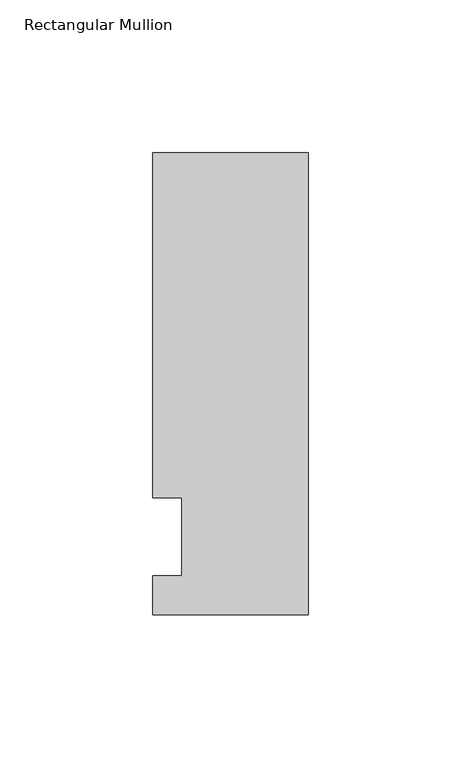
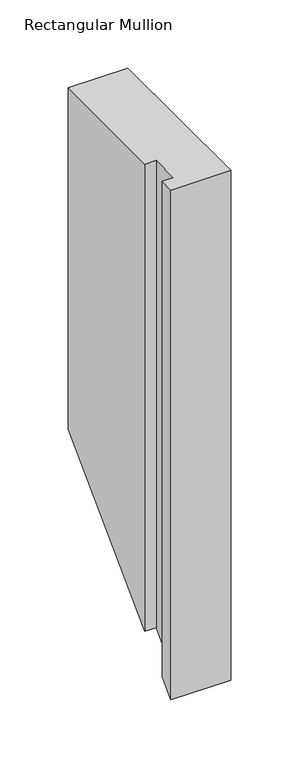
"""IFC4 building model written with IfcOpenShell, lengths in millimetres: member geometry, Rectangular Mullion."""

from ifc_helpers import new_model, si_unit, origin, place, context, project, spatial, faceted_brep, source, transform, mapped, element, save


def rectangular_mullion_2f060910(model_context):
    return source(origin(), model_context, "Body", "Brep", [
        faceted_brep([(-50.8, -25.5984375, 0.0), (0.0, -25.5984375, 0.0), (0.0, 125.6109375, 0.0), (-50.8, 125.6109375, 0.0), (-50.8, 12.7, 0.0), (-41.275, 12.7, 0.0), (-41.275, -12.7, 0.0), (-50.8, -12.7, 0.0), (-50.8, -25.5984375, -457.3984375), (0.0, -25.5984375, -457.3984375), (0.0, 125.6109375, -306.1890625), (-50.8, 125.6109375, -306.1890625), (-50.8, 12.7, -419.1), (-41.275, 12.7, -419.1), (-41.275, -12.7, -444.5), (-50.8, -12.7, -444.5)], [[[0, 1, 2, 3, 4, 5, 6, 7]], [[1, 0, 8, 9]], [[2, 1, 9, 10]], [[3, 2, 10, 11]], [[4, 3, 11, 12]], [[5, 4, 12, 13]], [[6, 5, 13, 14]], [[7, 6, 14, 15]], [[0, 7, 15, 8]], [[8, 15, 14, 13, 12, 11, 10, 9]]]),
    ])


if __name__ == "__main__":
    model = new_model("IFC4")
    model_context = context("Model", 3, world=origin())
    ifc_project = project(units=[si_unit("LENGTHUNIT", "METRE", prefix="MILLI")], contexts=[model_context])
    site = spatial("IfcSite", under=ifc_project)
    building = spatial("IfcBuilding", under=site)
    placement = place(None, origin())
    rectangular_mullion_shape = rectangular_mullion_2f060910(model_context)
    element("IfcMember", 1, ObjectType="Rectangular Mullion", at=placement, inside=building, context=model_context, shape_type="MappedRepresentation", body=[
        mapped(rectangular_mullion_shape, transform((0.0, 0.0, 0.0), x_axis=(1.0, 0.0, 0.0), y_axis=(0.0, 1.0, 0.0), z_axis=(0.0, 0.0, 1.0))),
    ])
    save(model, "model.ifc")
